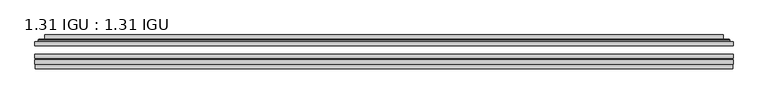
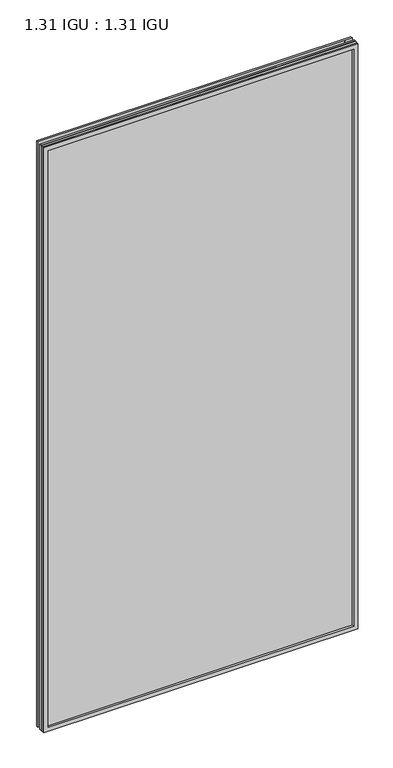
"""IFC4 building model written with IfcOpenShell, lengths in millimetres: plate geometry, 1.31 IGU : 1.31 IGU."""

from ifc_helpers import new_model, si_unit, frame, origin, place, context, project, spatial, polyline, ellipse_curve, outline, extrude, faceted_brep, source, transform, mapped, element, save
from ifc_brep_helpers import plane_surface, cylinder_surface, advanced_brep


def plate_1_31_igu_1_31_igu_d92d9778(model_context):
    return source(origin(), model_context, "Body", "SolidModel", [
        extrude(outline(polyline([(511.189175, -63.59525), (511.189175, -69.94525), (-511.175, -69.94525), (-511.175, -63.59525), (511.189175, -63.59525)])), frame((0.0, 0.0, -14.2875), z_axis=(0.0, 0.0, 1.0), x_axis=(1.0, 0.0, 0.0)), (0.0, 0.0, 1.0), 2009.8015278),
        extrude(outline(polyline([(-511.175, -78.58125), (-511.175, -72.230745), (511.189175, -72.230745), (511.189175, -78.58125), (-511.175, -78.58125)])), frame((0.0, 0.0, -14.2875), z_axis=(0.0, 0.0, 1.0), x_axis=(1.0, 0.0, 0.0)), (0.0, 0.0, 1.0), 2009.8015278),
        extrude(outline(polyline([(511.189175, -45.25645), (511.189175, -51.60645), (-511.175, -51.60645), (-511.175, -45.25645), (511.189175, -45.25645)])), frame((0.0, 0.0, -14.2875), z_axis=(0.0, 0.0, 1.0), x_axis=(1.0, 0.0, 0.0)), (0.0, 0.0, 1.0), 2009.8015278),
        faceted_brep([(-510.4748142, -84.93125, 1994.8100441), (-510.4748142, -78.58125, 1994.8100441), (-510.4748142, -78.58125, -13.5873142), (-510.4748142, -84.93125, -13.5873142), (510.4748142, -78.58125, -13.5873142), (510.4748142, -84.93125, -13.5873142), (510.4748142, -78.58125, 1994.8100441), (510.4748142, -84.93125, 1994.8100441), (-495.9897559, -78.58125, 0.8977441), (495.9897559, -78.58125, 0.8977441), (495.9897559, -78.58125, 1980.3249858), (-495.9897559, -78.58125, 1980.3249858), (-496.8821902, -84.93125, 1981.2174201), (496.8821902, -84.93125, 1981.2174201), (496.8821902, -84.93125, 0.0053098), (-496.8821902, -84.93125, 0.0053098)], [[[0, 1, 2, 3]], [[3, 2, 4, 5]], [[5, 4, 6, 7]], [[1, 6, 4, 2], [8, 9, 10, 11]], [[7, 6, 1, 0]], [[3, 5, 7, 0], [12, 13, 14, 15]], [[11, 12, 15, 8]], [[8, 15, 14, 9]], [[9, 14, 13, 10]], [[10, 13, 12, 11]]]),
        advanced_brep(
        [(-503.933719, -45.25645, 1988.2689489), (-506.2879244, -43.2667833, 1990.6231543), (-506.2879244, -43.2667833, -9.4004244), (-503.933719, -45.25645, -7.046219), (-494.8593939, -41.416413, 1979.1946238), (-489.9245621, -45.25645, 1974.2597919), (-489.9245621, -45.25645, 6.9629379), (-494.8593939, -41.416413, 2.0281061), (-495.8914217, -36.0191819, 1980.2266515), (-495.8914217, -36.0191819, 0.9960783), (-496.8820784, -35.6202069, 1981.2173083), (-496.8820784, -35.6202069, 0.0054216), (-496.8820784, -42.08145, 1981.2173083), (-496.8820784, -42.08145, 0.0054216), (-505.2861349, -42.08145, 1989.6213648), (-505.2861349, -42.08145, -8.3986349), (506.2879244, -43.2667833, -9.4004244), (503.933719, -45.25645, -7.046219), (489.9245621, -45.25645, 6.9629379), (494.8593939, -41.416413, 2.0281061), (495.8914217, -36.0191819, 0.9960783), (496.8820784, -35.6202069, 0.0054216), (496.8820784, -42.08145, 0.0054216), (505.2861349, -42.08145, -8.3986349), (506.2879244, -43.2667833, 1990.6231543), (503.933719, -45.25645, 1988.2689489), (489.9245621, -45.25645, 1974.2597919), (494.8593939, -41.416413, 1979.1946238), (495.8914217, -36.0191819, 1980.2266515), (496.8820784, -35.6202069, 1981.2173083), (496.8820784, -42.08145, 1981.2173083), (505.2861349, -42.08145, 1989.6213648)],
        [
            (0, 1, ellipse_curve(frame((-503.933719, -42.86885, 1988.2689489), z_axis=(-0.7071067811865475, 0.0, -0.7071067811865475), x_axis=(-0.7071067811865474, 0.0, 0.7071067811865476)), 3.3765763, 2.3876)),
            (1, 2),
            (2, 3, ellipse_curve(frame((-503.933719, -42.86885, -7.046219), z_axis=(-0.7071067811865475, 0.0, 0.7071067811865475), x_axis=(0.7071067811865474, 0.0, 0.7071067811865476)), 3.3765763, 2.3876)),
            (3, 0),
            (4, 5),
            (5, 6),
            (6, 7),
            (7, 4),
            (8, 4),
            (7, 9),
            (9, 8),
            (10, 8, ellipse_curve(frame((-496.5151219, -36.1384423, 1980.8503517), z_axis=(-0.7071067811865475, 0.0, -0.7071067811865475), x_axis=(-0.7071067811865474, 0.0, 0.7071067811865476)), 0.8980256, 0.635)),
            (9, 11, ellipse_curve(frame((-496.5151219, -36.1384423, 0.3723781), z_axis=(-0.7071067811865475, 0.0, 0.7071067811865475), x_axis=(0.7071067811865474, 0.0, 0.7071067811865476)), 0.8980256, 0.635)),
            (11, 10),
            (12, 10),
            (11, 13),
            (13, 12),
            (1, 14, ellipse_curve(frame((-505.2861349, -43.09745, 1989.6213648), z_axis=(-0.7071067811865475, 0.0, -0.7071067811865475), x_axis=(-0.7071067811865474, 0.0, 0.7071067811865476)), 1.436841, 1.016)),
            (14, 15),
            (15, 2, ellipse_curve(frame((-505.2861349, -43.09745, -8.3986349), z_axis=(-0.7071067811865475, 0.0, 0.7071067811865475), x_axis=(0.7071067811865474, 0.0, 0.7071067811865476)), 1.436841, 1.016)),
            (2, 16),
            (16, 17, ellipse_curve(frame((503.933719, -42.86885, -7.046219), z_axis=(-0.7071067811865475, 0.0, -0.7071067811865475), x_axis=(-0.7071067811865476, 0.0, 0.7071067811865474)), 3.3765763, 2.3876)),
            (17, 3),
            (6, 18),
            (18, 19),
            (19, 7),
            (19, 20),
            (20, 9),
            (20, 21, ellipse_curve(frame((496.5151219, -36.1384423, 0.3723781), z_axis=(-0.7071067811865475, 0.0, -0.7071067811865475), x_axis=(-0.7071067811865476, 0.0, 0.7071067811865474)), 0.8980256, 0.635)),
            (21, 11),
            (21, 22),
            (22, 13),
            (15, 23),
            (23, 16, ellipse_curve(frame((505.2861349, -43.09745, -8.3986349), z_axis=(-0.7071067811865475, 0.0, -0.7071067811865475), x_axis=(-0.7071067811865476, 0.0, 0.7071067811865474)), 1.436841, 1.016)),
            (16, 24),
            (24, 25, ellipse_curve(frame((503.933719, -42.86885, 1988.2689489), z_axis=(0.7071067811865475, 0.0, -0.7071067811865475), x_axis=(-0.7071067811865474, 0.0, -0.7071067811865476)), 3.3765763, 2.3876)),
            (25, 17),
            (18, 26),
            (26, 27),
            (27, 19),
            (27, 28),
            (28, 20),
            (28, 29, ellipse_curve(frame((496.5151219, -36.1384423, 1980.8503517), z_axis=(0.7071067811865475, 0.0, -0.7071067811865475), x_axis=(-0.7071067811865474, 0.0, -0.7071067811865476)), 0.8980256, 0.635)),
            (29, 21),
            (29, 30),
            (30, 22),
            (23, 31),
            (31, 24, ellipse_curve(frame((505.2861349, -43.09745, 1989.6213648), z_axis=(0.7071067811865475, 0.0, -0.7071067811865475), x_axis=(-0.7071067811865474, 0.0, -0.7071067811865476)), 1.436841, 1.016)),
            (24, 1),
            (0, 25),
            (5, 26),
            (4, 27),
            (8, 28),
            (10, 29),
            (12, 30),
            (14, 31),
        ],
        [
            cylinder_surface(frame((-503.933719, -42.86885, 2012.9727299), z_axis=(0.0, 0.0, 1.0), x_axis=(-1.0, 0.0, 0.0)), 2.3876),
            plane_surface(frame((-489.9245621, -45.25645, 1974.2597919), z_axis=(0.6141233906514794, 0.7892100234124821, 0.0), x_axis=(0.0, 0.0, -1.0))),
            plane_surface(frame((-494.8593939, -41.416413, 1979.1946238), z_axis=(0.9822050625507729, 0.18781164793386076, 0.0), x_axis=(0.0, 0.0, -1.0))),
            cylinder_surface(frame((-496.5151219, -36.1384423, 2012.9727299), z_axis=(0.0, 0.0, 1.0), x_axis=(-1.0, 0.0, 0.0)), 0.635),
            plane_surface(frame((-496.8820784, -35.6202069, 1981.2173083), z_axis=(-1.0, 0.0, 0.0), x_axis=(0.0, 0.0, -1.0))),
            cylinder_surface(frame((-505.2861349, -43.09745, 2012.9727299), z_axis=(0.0, 0.0, 1.0), x_axis=(-1.0, 0.0, 0.0)), 1.016),
            cylinder_surface(frame((-528.6375, -42.86885, -7.046219), z_axis=(-1.0, 0.0, 0.0), x_axis=(0.0, 0.0, -1.0)), 2.3876),
            plane_surface(frame((-489.9245621, -45.25645, 6.9629379), z_axis=(0.0, 0.7892100234124841, 0.6141233906514768), x_axis=(1.0, 0.0, 0.0))),
            plane_surface(frame((-494.8593939, -41.416413, 2.0281061), z_axis=(0.0, 0.18781164793386393, 0.9822050625507723), x_axis=(1.0, 0.0, 0.0))),
            cylinder_surface(frame((-528.6375, -36.1384423, 0.3723781), z_axis=(-1.0, 0.0, 0.0), x_axis=(0.0, 0.0, -1.0)), 0.635),
            plane_surface(frame((-496.8820784, -35.6202069, 0.0054216), z_axis=(0.0, 0.0, -1.0), x_axis=(1.0, 0.0, 0.0))),
            cylinder_surface(frame((-528.6375, -43.09745, -8.3986349), z_axis=(-1.0, 0.0, 0.0), x_axis=(0.0, 0.0, -1.0)), 1.016),
            cylinder_surface(frame((503.933719, -42.86885, -31.75), z_axis=(0.0, 0.0, -1.0), x_axis=(1.0, 0.0, 0.0)), 2.3876),
            plane_surface(frame((489.9245621, -45.25645, 6.9629379), z_axis=(-0.6141233906514743, 0.7892100234124861, 0.0), x_axis=(0.0, 0.0, 1.0))),
            plane_surface(frame((494.8593939, -41.416413, 2.0281061), z_axis=(-0.9822050625507718, 0.1878116479338671, 0.0), x_axis=(0.0, 0.0, 1.0))),
            cylinder_surface(frame((496.5151219, -36.1384423, -31.75), z_axis=(0.0, 0.0, -1.0), x_axis=(1.0, 0.0, 0.0)), 0.635),
            plane_surface(frame((496.8820784, -35.6202069, 0.0054216), z_axis=(1.0, 0.0, 0.0), x_axis=(0.0, 0.0, 1.0))),
            cylinder_surface(frame((505.2861349, -43.09745, -31.75), z_axis=(0.0, 0.0, -1.0), x_axis=(1.0, 0.0, 0.0)), 1.016),
            cylinder_surface(frame((528.6375, -42.86885, 1988.2689489), z_axis=(1.0, 0.0, 0.0), x_axis=(0.0, 0.0, 1.0)), 2.3876),
            plane_surface(frame((503.933719, -45.25645, 1988.2689489), z_axis=(0.0, -1.0, 0.0), x_axis=(-1.0, 0.0, 0.0))),
            plane_surface(frame((489.9245621, -45.25645, 1974.2597919), z_axis=(0.0, 0.7892100234124841, -0.6141233906514768), x_axis=(-1.0, 0.0, 0.0))),
            plane_surface(frame((494.8593939, -41.416413, 1979.1946238), z_axis=(0.0, 0.18781164793386393, -0.9822050625507723), x_axis=(-1.0, 0.0, 0.0))),
            cylinder_surface(frame((528.6375, -36.1384423, 1980.8503517), z_axis=(1.0, 0.0, 0.0), x_axis=(0.0, 0.0, 1.0)), 0.635),
            plane_surface(frame((496.8820784, -35.6202069, 1981.2173083), z_axis=(0.0, 0.0, 1.0), x_axis=(-1.0, 0.0, 0.0))),
            plane_surface(frame((496.8820784, -42.08145, 1981.2173083), z_axis=(0.0, 1.0, 0.0), x_axis=(-1.0, 0.0, 0.0))),
            cylinder_surface(frame((528.6375, -43.09745, 1989.6213648), z_axis=(1.0, 0.0, 0.0), x_axis=(0.0, 0.0, 1.0)), 1.016),
        ],
        [
            (0, [[1, 2, 3, 4]]),
            (1, [[5, 6, 7, 8]]),
            (2, [[9, -8, 10, 11]]),
            (3, [[12, -11, 13, 14]]),
            (4, [[15, -14, 16, 17]]),
            (5, [[18, 19, 20, -2]]),
            (6, [[-3, 21, 22, 23]]),
            (7, [[-7, 24, 25, 26]]),
            (8, [[-10, -26, 27, 28]]),
            (9, [[-13, -28, 29, 30]]),
            (10, [[-16, -30, 31, 32]]),
            (11, [[-20, 33, 34, -21]]),
            (12, [[-22, 35, 36, 37]]),
            (13, [[-25, 38, 39, 40]]),
            (14, [[-27, -40, 41, 42]]),
            (15, [[-29, -42, 43, 44]]),
            (16, [[-31, -44, 45, 46]]),
            (17, [[-34, 47, 48, -35]]),
            (18, [[-36, 49, -1, 50]]),
            (19, [[-23, -37, -50, -4], [51, -38, -24, -6]]),
            (20, [[-39, -51, -5, 52]]),
            (21, [[-41, -52, -9, 53]]),
            (22, [[-43, -53, -12, 54]]),
            (23, [[-45, -54, -15, 55]]),
            (24, [[56, -47, -33, -19], [-32, -46, -55, -17]]),
            (25, [[-48, -56, -18, -49]]),
        ],
    ),
    ])


if __name__ == "__main__":
    model = new_model("IFC4")
    model_context = context("Model", 3, world=origin())
    ifc_project = project(units=[si_unit("LENGTHUNIT", "METRE", prefix="MILLI")], contexts=[model_context])
    site = spatial("IfcSite", under=ifc_project)
    building = spatial("IfcBuilding", under=site)
    placement = place(None, origin())
    plate_1_31_igu_1_31_igu_shape = plate_1_31_igu_1_31_igu_d92d9778(model_context)
    element("IfcPlate", 1, ObjectType="1.31 IGU : 1.31 IGU", at=placement, inside=building, context=model_context, shape_type="MappedRepresentation", body=[
        mapped(plate_1_31_igu_1_31_igu_shape, transform((0.0, 0.0, 0.0), x_axis=(1.0, 0.0, 0.0), y_axis=(0.0, 1.0, 0.0), z_axis=(0.0, 0.0, 1.0))),
    ])
    save(model, "model.ifc")
